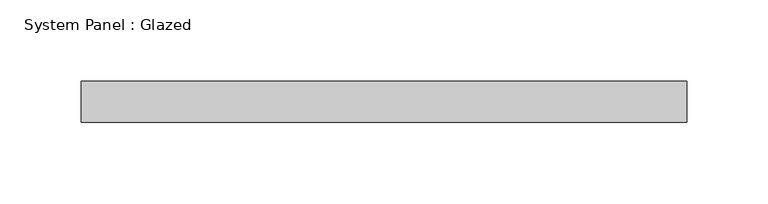
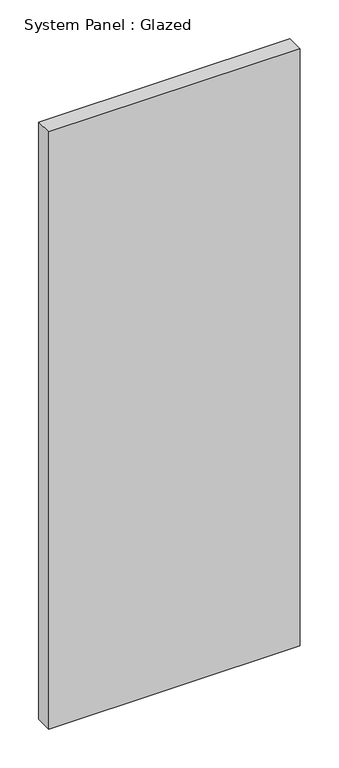
"""IFC4 building model written with IfcOpenShell, lengths in millimetres: plate geometry, System Panel : Glazed."""

import ifcopenshell
import ifcopenshell.guid

model = None  # the IFC model being written
_history = None  # IfcOwnerHistory: only IFC2X3 demands one
_inside = {}  # id of a spatial element -> (the spatial element, [elements in it])
_under = {}  # id of a project, library or spatial element -> (it, [spatial elements below it])
_declared = {}  # id of a project -> (the project, [libraries it declares])
_typed = {}  # id of a type object -> (the type object, [elements of that type])
_made_of = {}  # id of a material, layer set ... -> (it, [elements and type objects made of it])


def new_model(schema):
    """Start an empty IFC model of exactly this schema.

    Asked for "IFC4X3", IfcOpenShell would pick the latest addendum, in which some entities
    have other attributes; the version numbers below select the first issue.
    IFC2X3 requires an IfcOwnerHistory on every rooted entity: one is made here for all.
    """
    global model, _history
    if schema == "IFC4X3":
        model = ifcopenshell.file(schema_version=(4, 3, 0, 0))
    else:
        model = ifcopenshell.file(schema=schema)
    _inside.clear()
    _under.clear()
    _declared.clear()
    _typed.clear()
    _made_of.clear()
    _history = None
    if model.schema == "IFC2X3":
        org = make("IfcOrganization", Name="unknown")
        user = make(
            "IfcPersonAndOrganization",
            ThePerson=make("IfcPerson", FamilyName="unknown"),
            TheOrganization=org,
        )
        app = make(
            "IfcApplication",
            ApplicationDeveloper=org,
            Version="unknown",
            ApplicationFullName="unknown",
            ApplicationIdentifier="unknown",
        )
        _history = make(
            "IfcOwnerHistory",
            OwningUser=user,
            OwningApplication=app,
            ChangeAction="ADDED",
            CreationDate=0,
        )
    return model


def make(cls, **values):
    """One entity of the class cls with the attributes given. An attribute that is None is left unset."""
    return model.create_entity(
        cls, **{name: value for name, value in values.items() if value is not None}
    )


def rooted(cls, **values):
    """An entity with a GlobalId (a new one), such as an element, a storey or a relation."""
    return make(cls, GlobalId=ifcopenshell.guid.new(), OwnerHistory=_history, **values)


def si_unit(unit_type, name, prefix=None):
    """IfcSIUnit, for example si_unit("LENGTHUNIT", "METRE", prefix="MILLI")."""
    return make("IfcSIUnit", UnitType=unit_type, Prefix=prefix, Name=name)


def assignment(units):
    """IfcUnitAssignment: the units of a project."""
    return None if units is None else make("IfcUnitAssignment", Units=units)


def point(xyz):
    """IfcCartesianPoint."""
    return None if xyz is None else make("IfcCartesianPoint", Coordinates=xyz)


def direction(xyz):
    """IfcDirection."""
    return None if xyz is None else make("IfcDirection", DirectionRatios=xyz)


def frame(location, z_axis=None, x_axis=None):
    """IfcAxis2Placement3D, a coordinate frame: its origin and axes. An axis left out is left unset."""
    return make(
        "IfcAxis2Placement3D",
        Location=point(location),
        Axis=direction(z_axis),
        RefDirection=direction(x_axis),
    )


def origin():
    """The frame at (0, 0, 0) with its axes left unset."""
    return frame((0.0, 0.0, 0.0))


def origin_with_axes():
    """The frame at (0, 0, 0) with the z axis (0, 0, 1) and the x axis (1, 0, 0) written out."""
    return frame((0.0, 0.0, 0.0), z_axis=(0.0, 0.0, 1.0), x_axis=(1.0, 0.0, 0.0))


def place(relative_to, where):
    """IfcLocalPlacement: puts the frame where relative to a parent placement (None: the world)."""
    return make(
        "IfcLocalPlacement", PlacementRelTo=relative_to, RelativePlacement=where
    )


def context(
    kind, dimensions, precision=None, world=None, true_north=None, identifier=None
):
    """IfcGeometricRepresentationContext, for example the 3D "Model" context."""
    return make(
        "IfcGeometricRepresentationContext",
        ContextIdentifier=identifier,
        ContextType=kind,
        CoordinateSpaceDimension=dimensions,
        Precision=precision,
        WorldCoordinateSystem=world,
        TrueNorth=true_north,
    )


def project(units=None, contexts=None):
    """IfcProject with its units and contexts."""
    return rooted(
        "IfcProject",
        Name="project",
        RepresentationContexts=contexts,
        UnitsInContext=assignment(units),
    )


def spatial(cls, under=None, at=None, **own):
    """A site, building, storey or space (cls), placed at a placement, below another one or the project."""
    s = rooted(cls, ObjectPlacement=at, **own)
    if under is not None:
        _under.setdefault(under.id(), (under, []))[1].append(s)
    return s


def polyline(points):
    """IfcPolyline through the points."""
    return make("IfcPolyline", Points=[point(p) for p in points])


def outline(outer, holes=None, kind="AREA"):
    """IfcArbitraryClosedProfileDef: a profile drawn as a closed curve; with holes, ...WithVoids."""
    if holes is None:
        return make("IfcArbitraryClosedProfileDef", ProfileType=kind, OuterCurve=outer)
    return make(
        "IfcArbitraryProfileDefWithVoids",
        ProfileType=kind,
        OuterCurve=outer,
        InnerCurves=holes,
    )


def extrude(swept, where, along, depth):
    """IfcExtrudedAreaSolid: the profile swept, set in the frame where, extruded along a direction by depth."""
    return make(
        "IfcExtrudedAreaSolid",
        SweptArea=swept,
        Position=where,
        ExtrudedDirection=direction(along),
        Depth=depth,
    )


def shape(context_of_items, identifier, shape_type, items):
    """IfcShapeRepresentation: the items that make up one representation, for example the "Body"."""
    return make(
        "IfcShapeRepresentation",
        ContextOfItems=context_of_items,
        RepresentationIdentifier=identifier,
        RepresentationType=shape_type,
        Items=items,
    )


def source(mapping_origin, context_of_items, identifier, shape_type, items):
    """IfcRepresentationMap: a shape defined once, which mapped items show again and again."""
    return make(
        "IfcRepresentationMap",
        MappingOrigin=mapping_origin,
        MappedRepresentation=shape(context_of_items, identifier, shape_type, items),
    )


def transform(
    local_origin,
    x_axis=None,
    y_axis=None,
    z_axis=None,
    scale=None,
    scale2=None,
    scale3=None,
    uniform=True,
):
    """IfcCartesianTransformationOperator3D, or its non-uniform kind. x_axis, y_axis, z_axis: its Axis1, 2, 3."""
    if uniform:
        return make(
            "IfcCartesianTransformationOperator3D",
            Axis1=direction(x_axis),
            Axis2=direction(y_axis),
            LocalOrigin=point(local_origin),
            Scale=scale,
            Axis3=direction(z_axis),
        )
    return make(
        "IfcCartesianTransformationOperator3DnonUniform",
        Axis1=direction(x_axis),
        Axis2=direction(y_axis),
        LocalOrigin=point(local_origin),
        Scale=scale,
        Axis3=direction(z_axis),
        Scale2=scale2,
        Scale3=scale3,
    )


def mapped(mapping_source, mapping_target):
    """IfcMappedItem: shows the shape of a source again, moved by a transform."""
    return make(
        "IfcMappedItem", MappingSource=mapping_source, MappingTarget=mapping_target
    )


def made_of(thing, what):
    """Note that an element or type object is made of a material, layer set ...; save() writes the relation."""
    if what is not None:
        _made_of.setdefault(what.id(), (what, []))[1].append(thing)
    return thing


def element(
    cls,
    number,
    at=None,
    inside=None,
    cuts=None,
    type_object=None,
    material=None,
    context=None,
    identifier="Body",
    shape_type=None,
    held_by="IfcProductDefinitionShape",
    body=None,
    shapes=None,
    **own,
):
    """One element of the class cls, such as IfcWall. Its Tag is "e" and its number.

    at: its placement. inside: the storey or other place that contains it. cuts: it is an
    opening in that element (IfcRelVoidsElement). A single representation is given by context,
    identifier, shape_type and body (its items); several are given by shapes. held_by: the class
    of the entity that holds the representations. save() writes the other relations.
    """
    e = rooted(cls, Tag="e%d" % number, ObjectPlacement=at, **own)
    if body is not None:
        shapes = [shape(context, identifier, shape_type, body)]
    if shapes is not None:
        e.Representation = make(held_by, Representations=shapes)
    if inside is not None:
        _inside.setdefault(inside.id(), (inside, []))[1].append(e)
    if cuts is not None:
        rooted(
            "IfcRelVoidsElement", RelatingBuildingElement=cuts, RelatedOpeningElement=e
        )
    if type_object is not None:
        _typed.setdefault(type_object.id(), (type_object, []))[1].append(e)
    return made_of(e, material)


def aggregate(whole, parts):
    """IfcRelAggregates: a whole, such as a stair, and the parts it consists of."""
    return rooted("IfcRelAggregates", RelatingObject=whole, RelatedObjects=parts)


def save(model, path):
    """Write the relations noted so far, then the file.

    IfcRelAggregates (storeys below a building ...), IfcRelContainedInSpatialStructure (elements
    in a storey), IfcRelDefinesByType, IfcRelAssociatesMaterial and IfcRelDeclares: one each for
    every whole, place, type object, material and project.
    """
    for whole, parts in _under.values():
        aggregate(whole, parts)
    for where, things in _inside.values():
        rooted(
            "IfcRelContainedInSpatialStructure",
            RelatedElements=things,
            RelatingStructure=where,
        )
    for kind, things in _typed.values():
        rooted("IfcRelDefinesByType", RelatedObjects=things, RelatingType=kind)
    for what, things in _made_of.values():
        rooted("IfcRelAssociatesMaterial", RelatedObjects=things, RelatingMaterial=what)
    for by, libraries in _declared.values():
        rooted("IfcRelDeclares", RelatingContext=by, RelatedDefinitions=libraries)
    model.write(path)


def system_panel_glazed_d811a98d(model_context):
    return source(origin(), model_context, "Body", "SweptSolid", [
        extrude(outline(polyline([(186.5, -44.45), (-186.5, -44.45), (-186.5, -19.05), (186.5, -19.05), (186.5, -44.45)])), origin_with_axes(), (0.0, 0.0, 1.0), 936.5),
    ])


if __name__ == "__main__":
    model = new_model("IFC4")
    model_context = context("Model", 3, world=origin())
    ifc_project = project(units=[si_unit("LENGTHUNIT", "METRE", prefix="MILLI")], contexts=[model_context])
    site = spatial("IfcSite", under=ifc_project)
    building = spatial("IfcBuilding", under=site)
    placement = place(None, origin())
    system_panel_glazed_shape = system_panel_glazed_d811a98d(model_context)
    element("IfcPlate", 1, ObjectType="System Panel : Glazed", at=placement, inside=building, context=model_context, shape_type="MappedRepresentation", body=[
        mapped(system_panel_glazed_shape, transform((0.0, 0.0, 0.0), x_axis=(1.0, 0.0, 0.0), y_axis=(0.0, 1.0, 0.0), z_axis=(0.0, 0.0, 1.0))),
    ])
    save(model, "model.ifc")
